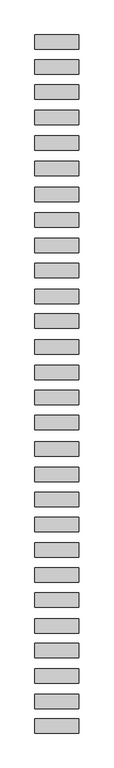
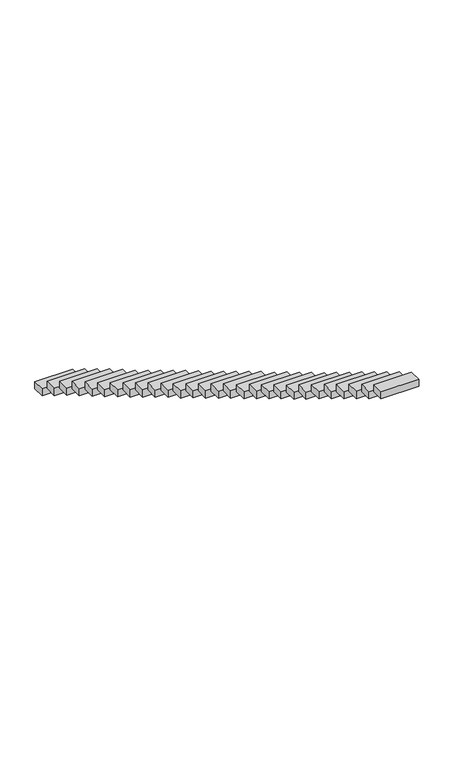
"""IFC4 building model written with IfcOpenShell, lengths in millimetres: proxy geometry."""

from ifc_helpers import new_model, si_unit, frame, origin, place, context, project, spatial, polyline, outline, extrude, source, transform, mapped, element, save


def generic_models_f811eed9(model_context):
    return source(origin(), model_context, "Body", "SweptSolid", [
        extrude(outline(polyline([(-575.0, -7278.1164661), (-575.0, -6898.1164661), (575.0, -6898.1164661), (575.0, -7278.1164661), (-575.0, -7278.1164661)])), frame((0.0, 0.0, 4443.915179), z_axis=(0.0, 0.0, 1.0), x_axis=(1.0, 0.0, 0.0)), (0.0, 0.0, 1.0), 230.0),
        extrude(outline(polyline([(-575.0, -6638.3709529), (-575.0, -6258.3709529), (575.0, -6258.3709529), (575.0, -6638.3709529), (-575.0, -6638.3709529)])), frame((0.0, 0.0, 4060.4650358), z_axis=(0.0, 0.0, 1.0), x_axis=(1.0, 0.0, 0.0)), (0.0, 0.0, 1.0), 230.0),
        extrude(outline(polyline([(-575.0, -5968.1954282), (-575.0, -5588.1954282), (575.0, -5588.1954282), (575.0, -5968.1954282), (-575.0, -5968.1954282)])), frame((0.0, 0.0, 3655.6807323), z_axis=(0.0, 0.0, 1.0), x_axis=(1.0, 0.0, 0.0)), (0.0, 0.0, 1.0), 230.0),
        extrude(outline(polyline([(-575.0, -5305.3410564), (-575.0, -4925.3410564), (575.0, -4925.3410564), (575.0, -5305.3410564), (-575.0, -5305.3410564)])), frame((0.0, 0.0, 3251.0101765), z_axis=(0.0, 0.0, 1.0), x_axis=(1.0, 0.0, 0.0)), (0.0, 0.0, 1.0), 230.0),
        extrude(outline(polyline([(-575.0, -4657.5438829), (-575.0, -4277.5438829), (575.0, -4277.5438829), (575.0, -4657.5438829), (-575.0, -4657.5438829)])), frame((0.0, 0.0, 2857.1955286), z_axis=(0.0, 0.0, 1.0), x_axis=(1.0, 0.0, 0.0)), (0.0, 0.0, 1.0), 230.0),
        extrude(outline(polyline([(-575.0, -3984.9331159), (-575.0, -3604.9331159), (575.0, -3604.9331159), (575.0, -3984.9331159), (-575.0, -3984.9331159)])), frame((0.0, 0.0, 2441.4328023), z_axis=(0.0, 0.0, 1.0), x_axis=(1.0, 0.0, 0.0)), (0.0, 0.0, 1.0), 230.0),
        extrude(outline(polyline([(-575.0, -3318.1099779), (-575.0, -2938.1099779), (575.0, -2938.1099779), (575.0, -3318.1099779), (-575.0, -3318.1099779)])), frame((0.0, 0.0, 2031.4006054), z_axis=(0.0, 0.0, 1.0), x_axis=(1.0, 0.0, 0.0)), (0.0, 0.0, 1.0), 230.0),
        extrude(outline(polyline([(-575.0, -2665.9862287), (-575.0, -2285.9862287), (575.0, -2285.9862287), (575.0, -2665.9862287), (-575.0, -2665.9862287)])), frame((0.0, 0.0, 1628.5031439), z_axis=(0.0, 0.0, 1.0), x_axis=(1.0, 0.0, 0.0)), (0.0, 0.0, 1.0), 230.0),
        extrude(outline(polyline([(-575.0, -1996.297837), (-575.0, -1616.297837), (575.0, -1616.297837), (575.0, -1996.297837), (-575.0, -1996.297837)])), frame((0.0, 0.0, 1241.0931757), z_axis=(0.0, 0.0, 1.0), x_axis=(1.0, 0.0, 0.0)), (0.0, 0.0, 1.0), 230.0),
        extrude(outline(polyline([(-575.0, -1348.9306365), (-575.0, -968.9306365), (575.0, -968.9306365), (575.0, -1348.9306365), (-575.0, -1348.9306365)])), frame((0.0, 0.0, 844.6562991), z_axis=(0.0, 0.0, 1.0), x_axis=(1.0, 0.0, 0.0)), (0.0, 0.0, 1.0), 230.0),
        extrude(outline(polyline([(-575.0, -690.2162034), (-575.0, -310.2162034), (575.0, -310.2162034), (575.0, -690.2162034), (-575.0, -690.2162034)])), frame((0.0, 0.0, 455.5981414), z_axis=(0.0, 0.0, 1.0), x_axis=(1.0, 0.0, 0.0)), (0.0, 0.0, 1.0), 230.0),
        extrude(outline(polyline([(-575.0, -21.387873), (-575.0, 358.612127), (575.0, 358.612127), (575.0, -21.387873), (-575.0, -21.387873)])), frame((0.0, 0.0, 41.2964739), z_axis=(0.0, 0.0, 1.0), x_axis=(1.0, 0.0, 0.0)), (0.0, 0.0, 1.0), 230.0),
        extrude(outline(polyline([(-575.0, 670.191737), (-575.0, 1050.191737), (575.0, 1050.191737), (575.0, 670.191737), (-575.0, 670.191737)])), frame((0.0, 0.0, -353.0051936), z_axis=(0.0, 0.0, 1.0), x_axis=(1.0, 0.0, 0.0)), (0.0, 0.0, 1.0), 230.0),
        extrude(outline(polyline([(-575.0, 1326.5848636), (-575.0, 1706.5848636), (575.0, 1706.5848636), (575.0, 1326.5848636), (-575.0, 1326.5848636)])), frame((0.0, 0.0, -753.5244101), z_axis=(0.0, 0.0, 1.0), x_axis=(1.0, 0.0, 0.0)), (0.0, 0.0, 1.0), 230.0),
        extrude(outline(polyline([(-575.0, 1990.5427864), (-575.0, 2370.5427864), (575.0, 2370.5427864), (575.0, 1990.5427864), (-575.0, 1990.5427864)])), frame((0.0, 0.0, -1151.6653814), z_axis=(0.0, 0.0, 1.0), x_axis=(1.0, 0.0, 0.0)), (0.0, 0.0, 1.0), 230.0),
        extrude(outline(polyline([(-575.0, 2660.0446563), (-575.0, 3040.0446563), (575.0, 3040.0446563), (575.0, 2660.0446563), (-575.0, 2660.0446563)])), frame((0.0, 0.0, -1551.6975783), z_axis=(0.0, 0.0, 1.0), x_axis=(1.0, 0.0, 0.0)), (0.0, 0.0, 1.0), 230.0),
        extrude(outline(polyline([(-575.0, 3330.4952366), (-575.0, 3710.4952366), (575.0, 3710.4952366), (575.0, 3330.4952366), (-575.0, 3330.4952366)])), frame((0.0, 0.0, -1965.0252066), z_axis=(0.0, 0.0, 1.0), x_axis=(1.0, 0.0, 0.0)), (0.0, 0.0, 1.0), 230.0),
        extrude(outline(polyline([(-575.0, 3983.9104973), (-575.0, 4363.9104973), (575.0, 4363.9104973), (575.0, 3983.9104973), (-575.0, 3983.9104973)])), frame((0.0, 0.0, -2338.2599044), z_axis=(0.0, 0.0, 1.0), x_axis=(1.0, 0.0, 0.0)), (0.0, 0.0, 1.0), 230.0),
        extrude(outline(polyline([(-575.0, 4658.3495295), (-575.0, 5038.3495295), (575.0, 5038.3495295), (575.0, 4658.3495295), (-575.0, 4658.3495295)])), frame((0.0, 0.0, -2740.9610894), z_axis=(0.0, 0.0, 1.0), x_axis=(1.0, 0.0, 0.0)), (0.0, 0.0, 1.0), 230.0),
        extrude(outline(polyline([(-575.0, 5319.0765304), (-575.0, 5699.0765304), (575.0, 5699.0765304), (575.0, 5319.0765304), (-575.0, 5319.0765304)])), frame((0.0, 0.0, -3138.8368122), z_axis=(0.0, 0.0, 1.0), x_axis=(1.0, 0.0, 0.0)), (0.0, 0.0, 1.0), 230.0),
        extrude(outline(polyline([(-575.0, 5989.8379786), (-575.0, 6369.8379786), (575.0, 6369.8379786), (575.0, 5989.8379786), (-575.0, 5989.8379786)])), frame((0.0, 0.0, -3546.1670709), z_axis=(0.0, 0.0, 1.0), x_axis=(1.0, 0.0, 0.0)), (0.0, 0.0, 1.0), 230.0),
        extrude(outline(polyline([(-575.0, 6655.9943295), (-575.0, 7035.9943295), (575.0, 7035.9943295), (575.0, 6655.9943295), (-575.0, 6655.9943295)])), frame((0.0, 0.0, -3944.5987853), z_axis=(0.0, 0.0, 1.0), x_axis=(1.0, 0.0, 0.0)), (0.0, 0.0, 1.0), 230.0),
        extrude(outline(polyline([(-575.0, 7330.0496816), (-575.0, 7710.0496816), (575.0, 7710.0496816), (575.0, 7330.0496816), (-575.0, 7330.0496816)])), frame((0.0, 0.0, -4353.4606664), z_axis=(0.0, 0.0, 1.0), x_axis=(1.0, 0.0, 0.0)), (0.0, 0.0, 1.0), 230.0),
        extrude(outline(polyline([(-575.0, 7998.4912998), (-575.0, 8378.4912998), (575.0, 8378.4912998), (575.0, 7998.4912998), (-575.0, 7998.4912998)])), frame((0.0, 0.0, -4736.4869685), z_axis=(0.0, 0.0, 1.0), x_axis=(1.0, 0.0, 0.0)), (0.0, 0.0, 1.0), 230.0),
        extrude(outline(polyline([(-575.0, 8673.8818808), (-575.0, 9053.8818808), (575.0, 9053.8818808), (575.0, 8673.8818808), (-575.0, 8673.8818808)])), frame((0.0, 0.0, -5128.5737174), z_axis=(0.0, 0.0, 1.0), x_axis=(1.0, 0.0, 0.0)), (0.0, 0.0, 1.0), 230.0),
        extrude(outline(polyline([(-575.0, 9334.5504373), (-575.0, 9714.5504373), (575.0, 9714.5504373), (575.0, 9334.5504373), (-575.0, 9334.5504373)])), frame((0.0, 0.0, -5522.1336441), z_axis=(0.0, 0.0, 1.0), x_axis=(1.0, 0.0, 0.0)), (0.0, 0.0, 1.0), 230.0),
        extrude(outline(polyline([(-575.0, 9998.1187333), (-575.0, 10378.1187333), (575.0, 10378.1187333), (575.0, 9998.1187333), (-575.0, 9998.1187333)])), frame((0.0, 0.0, -5930.2281222), z_axis=(0.0, 0.0, 1.0), x_axis=(1.0, 0.0, 0.0)), (0.0, 0.0, 1.0), 230.0),
        extrude(outline(polyline([(-575.0, 10645.9219977), (-575.0, 11025.9219977), (575.0, 11025.9219977), (575.0, 10645.9219977), (-575.0, 10645.9219977)])), frame((0.0, 0.0, -6334.1999698), z_axis=(0.0, 0.0, 1.0), x_axis=(1.0, 0.0, 0.0)), (0.0, 0.0, 1.0), 230.0),
    ])


if __name__ == "__main__":
    model = new_model("IFC4")
    model_context = context("Model", 3, world=origin())
    ifc_project = project(units=[si_unit("LENGTHUNIT", "METRE", prefix="MILLI")], contexts=[model_context])
    site = spatial("IfcSite", under=ifc_project)
    building = spatial("IfcBuilding", under=site)
    placement = place(None, origin())
    generic_models_shape = generic_models_f811eed9(model_context)
    element("IfcBuildingElementProxy", 1, Name="Generic Models", at=placement, inside=building, context=model_context, shape_type="MappedRepresentation", body=[
        mapped(generic_models_shape, transform((0.0, 0.0, 0.0), x_axis=(1.0, 0.0, 0.0), y_axis=(0.0, 1.0, 0.0), z_axis=(0.0, 0.0, 1.0))),
    ])
    save(model, "model.ifc")
